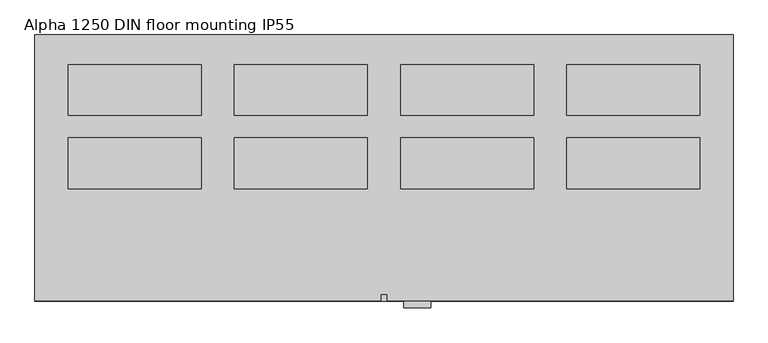
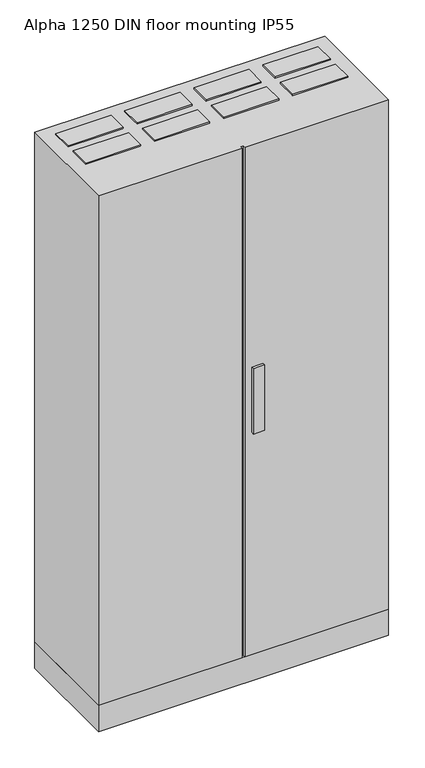
"""IFC4 building model written with IfcOpenShell, lengths in millimetres: proxy geometry, Alpha 1250 DIN floor mounting IP55."""

from ifc_helpers import new_model, si_unit, frame, origin, origin_with_axes, place, context, project, spatial, polyline, outline, extrude, source, transform, mapped, element, save


def alpha_1250_din_floor_mounting_ip55_67e8f2a4(model_context):
    return source(origin(), model_context, "Body", "SweptSolid", [
        extrude(outline(polyline([(1000.0, -155.0), (1000.0, -231.0), (800.0, -231.0), (800.0, -155.0), (1000.0, -155.0)])), frame((0.0, 0.0, 2050.0), z_axis=(0.0, 0.0, 1.0), x_axis=(1.0, 0.0, 0.0)), (0.0, 0.0, 1.0), 5.0),
        extrude(outline(polyline([(1000.0, -155.0), (1000.0, -231.0), (800.0, -231.0), (800.0, -155.0), (1000.0, -155.0)])), frame((0.0, 0.0, 95.0), z_axis=(0.0, 0.0, 1.0), x_axis=(1.0, 0.0, 0.0)), (0.0, 0.0, 1.0), 5.0),
        extrude(outline(polyline([(750.0, -155.0), (750.0, -231.0), (550.0, -231.0), (550.0, -155.0), (750.0, -155.0)])), frame((0.0, 0.0, 2050.0), z_axis=(0.0, 0.0, 1.0), x_axis=(1.0, 0.0, 0.0)), (0.0, 0.0, 1.0), 5.0),
        extrude(outline(polyline([(750.0, -155.0), (750.0, -231.0), (550.0, -231.0), (550.0, -155.0), (750.0, -155.0)])), frame((0.0, 0.0, 95.0), z_axis=(0.0, 0.0, 1.0), x_axis=(1.0, 0.0, 0.0)), (0.0, 0.0, 1.0), 5.0),
        extrude(outline(polyline([(500.0, -155.0), (500.0, -231.0), (300.0, -231.0), (300.0, -155.0), (500.0, -155.0)])), frame((0.0, 0.0, 2050.0), z_axis=(0.0, 0.0, 1.0), x_axis=(1.0, 0.0, 0.0)), (0.0, 0.0, 1.0), 5.0),
        extrude(outline(polyline([(500.0, -155.0), (500.0, -231.0), (300.0, -231.0), (300.0, -155.0), (500.0, -155.0)])), frame((0.0, 0.0, 95.0), z_axis=(0.0, 0.0, 1.0), x_axis=(1.0, 0.0, 0.0)), (0.0, 0.0, 1.0), 5.0),
        extrude(outline(polyline([(250.0, -155.0), (250.0, -231.0), (50.0, -231.0), (50.0, -155.0), (250.0, -155.0)])), frame((0.0, 0.0, 2050.0), z_axis=(0.0, 0.0, 1.0), x_axis=(1.0, 0.0, 0.0)), (0.0, 0.0, 1.0), 5.0),
        extrude(outline(polyline([(250.0, -155.0), (250.0, -231.0), (50.0, -231.0), (50.0, -155.0), (250.0, -155.0)])), frame((0.0, 0.0, 95.0), z_axis=(0.0, 0.0, 1.0), x_axis=(1.0, 0.0, 0.0)), (0.0, 0.0, 1.0), 5.0),
        extrude(outline(polyline([(1000.0, -45.0), (1000.0, -121.0), (800.0, -121.0), (800.0, -45.0), (1000.0, -45.0)])), frame((0.0, 0.0, 2050.0), z_axis=(0.0, 0.0, 1.0), x_axis=(1.0, 0.0, 0.0)), (0.0, 0.0, 1.0), 5.0),
        extrude(outline(polyline([(1000.0, -45.0), (1000.0, -121.0), (800.0, -121.0), (800.0, -45.0), (1000.0, -45.0)])), frame((0.0, 0.0, 95.0), z_axis=(0.0, 0.0, 1.0), x_axis=(1.0, 0.0, 0.0)), (0.0, 0.0, 1.0), 5.0),
        extrude(outline(polyline([(750.0, -45.0), (750.0, -121.0), (550.0, -121.0), (550.0, -45.0), (750.0, -45.0)])), frame((0.0, 0.0, 2050.0), z_axis=(0.0, 0.0, 1.0), x_axis=(1.0, 0.0, 0.0)), (0.0, 0.0, 1.0), 5.0),
        extrude(outline(polyline([(750.0, -45.0), (750.0, -121.0), (550.0, -121.0), (550.0, -45.0), (750.0, -45.0)])), frame((0.0, 0.0, 95.0), z_axis=(0.0, 0.0, 1.0), x_axis=(1.0, 0.0, 0.0)), (0.0, 0.0, 1.0), 5.0),
        extrude(outline(polyline([(500.0, -45.0), (500.0, -121.0), (300.0, -121.0), (300.0, -45.0), (500.0, -45.0)])), frame((0.0, 0.0, 2050.0), z_axis=(0.0, 0.0, 1.0), x_axis=(1.0, 0.0, 0.0)), (0.0, 0.0, 1.0), 5.0),
        extrude(outline(polyline([(500.0, -45.0), (500.0, -121.0), (300.0, -121.0), (300.0, -45.0), (500.0, -45.0)])), frame((0.0, 0.0, 95.0), z_axis=(0.0, 0.0, 1.0), x_axis=(1.0, 0.0, 0.0)), (0.0, 0.0, 1.0), 5.0),
        extrude(outline(polyline([(250.0, -45.0), (250.0, -121.0), (50.0, -121.0), (50.0, -45.0), (250.0, -45.0)])), frame((0.0, 0.0, 2050.0), z_axis=(0.0, 0.0, 1.0), x_axis=(1.0, 0.0, 0.0)), (0.0, 0.0, 1.0), 5.0),
        extrude(outline(polyline([(250.0, -45.0), (250.0, -121.0), (50.0, -121.0), (50.0, -45.0), (250.0, -45.0)])), frame((0.0, 0.0, 95.0), z_axis=(0.0, 0.0, 1.0), x_axis=(1.0, 0.0, 0.0)), (0.0, 0.0, 1.0), 5.0),
        extrude(outline(polyline([(595.0, -400.0), (595.0, -410.0), (555.0, -410.0), (555.0, -400.0), (595.0, -400.0)])), frame((0.0, 0.0, 950.0), z_axis=(0.0, 0.0, 1.0), x_axis=(1.0, 0.0, 0.0)), (0.0, 0.0, 1.0), 250.0),
        extrude(outline(polyline([(1050.0, 0.0), (1050.0, -400.0), (530.0, -400.0), (530.0, -390.0), (520.0, -390.0), (520.0, -400.0), (0.0, -400.0), (0.0, 0.0), (1050.0, 0.0)])), frame((0.0, 0.0, 100.0), z_axis=(0.0, 0.0, 1.0), x_axis=(1.0, 0.0, 0.0)), (0.0, 0.0, 1.0), 1950.0),
        extrude(outline(polyline([(1050.0, 0.0), (1050.0, -400.0), (0.0, -400.0), (0.0, 0.0), (1050.0, 0.0)])), origin_with_axes(), (0.0, 0.0, 1.0), 100.0),
    ])


if __name__ == "__main__":
    model = new_model("IFC4")
    model_context = context("Model", 3, world=origin())
    ifc_project = project(units=[si_unit("LENGTHUNIT", "METRE", prefix="MILLI")], contexts=[model_context])
    site = spatial("IfcSite", under=ifc_project)
    building = spatial("IfcBuilding", under=site)
    placement = place(None, origin())
    alpha_1250_din_floor_mounting_ip55_shape = alpha_1250_din_floor_mounting_ip55_67e8f2a4(model_context)
    element("IfcBuildingElementProxy", 1, Name="Alpha 1250 DIN floor mounting IP55", ObjectType="Alpha 1250 DIN floor mounting IP55", at=placement, inside=building, context=model_context, shape_type="MappedRepresentation", body=[
        mapped(alpha_1250_din_floor_mounting_ip55_shape, transform((0.0, 0.0, 0.0), x_axis=(1.0, 0.0, 0.0), y_axis=(0.0, 1.0, 0.0), z_axis=(0.0, 0.0, 1.0))),
    ])
    save(model, "model.ifc")
